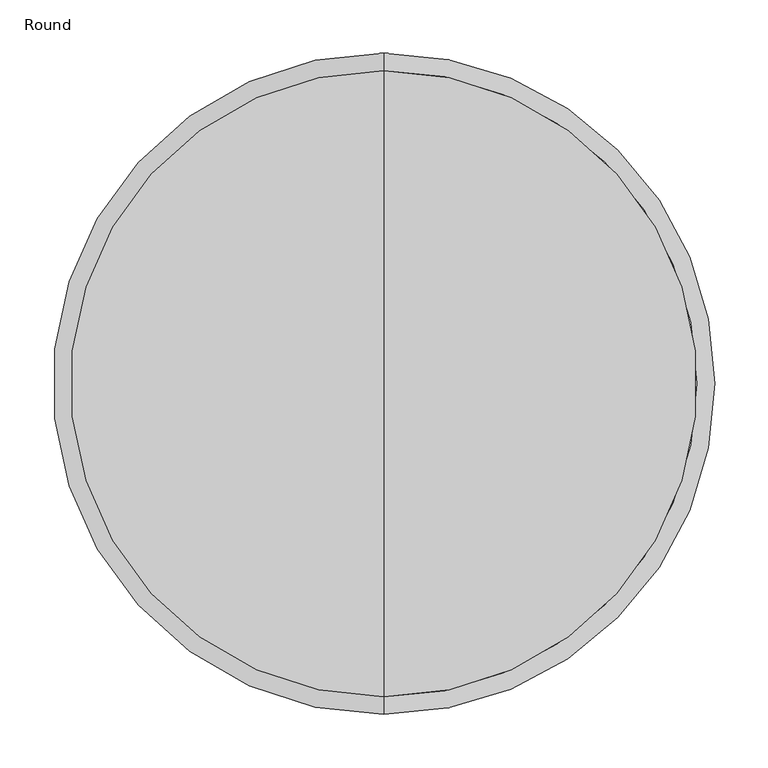
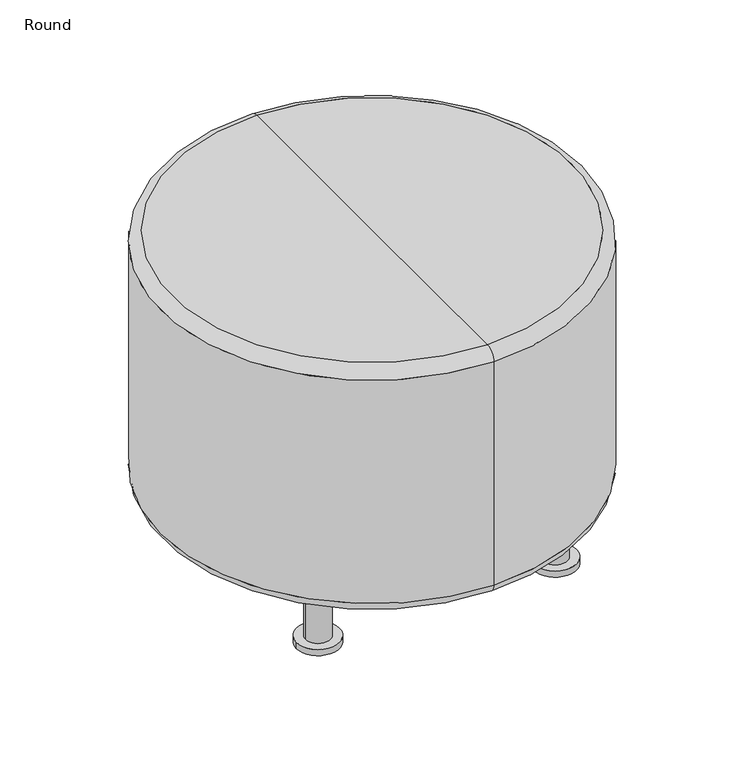
"""IFC4 building model written with IfcOpenShell, lengths in millimetres: furniture geometry, Round."""

from ifc_helpers import new_model, si_unit, point, frame, origin, place, context, project, spatial, circle_curve, ellipse_curve, trimmed, source, transform, mapped, element, save
from ifc_brep_helpers import plane_surface, cylinder_surface, revolved_surface, advanced_brep


def round_1c2979db(model_context):
    return source(origin(), model_context, "Body", "AdvancedBrep", [
        advanced_brep(
        [(-206.6882747, 164.9205792, 9.5131724), (-143.0562105, 164.9205792, 9.5131724), (-156.5777073, 164.9205792, 9.5131724), (-193.1667779, 164.9205792, 9.5131724), (-206.6882747, 164.9205792, 0.0), (-143.0562105, 164.9205792, 0.0), (-193.1667779, 164.9205792, 102.5906319), (-156.5777073, 164.9205792, 102.5906319)],
        [
            (0, 1, circle_curve(frame((-174.8722426, 164.9205792, 9.5131724), z_axis=(0.0, 0.0, 1.0), x_axis=(1.0, 0.0, 0.0)), 31.8160321)),
            (1, 0, circle_curve(frame((-174.8722426, 164.9205792, 9.5131724), z_axis=(0.0, 0.0, 1.0), x_axis=(1.0, 0.0, 0.0)), 31.8160321)),
            (2, 3, circle_curve(frame((-174.8722426, 164.9205792, 9.5131724), z_axis=(0.0, 0.0, -1.0), x_axis=(1.0, 0.0, 0.0)), 18.2945353)),
            (3, 2, circle_curve(frame((-174.8722426, 164.9205792, 9.5131724), z_axis=(0.0, 0.0, -1.0), x_axis=(1.0, 0.0, 0.0)), 18.2945353)),
            (4, 5, circle_curve(frame((-174.8722426, 164.9205792, 0.0), z_axis=(0.0, 0.0, -1.0), x_axis=(1.0, 0.0, 0.0)), 31.8160321)),
            (5, 4, circle_curve(frame((-174.8722426, 164.9205792, 0.0), z_axis=(0.0, 0.0, -1.0), x_axis=(1.0, 0.0, 0.0)), 31.8160321)),
            (0, 4),
            (5, 1),
            (6, 7, circle_curve(frame((-174.8722426, 164.9205792, 102.5906319), z_axis=(0.0, 0.0, 1.0), x_axis=(1.0, 0.0, 0.0)), 18.2945353)),
            (7, 6, circle_curve(frame((-174.8722426, 164.9205792, 102.5906319), z_axis=(0.0, 0.0, 1.0), x_axis=(1.0, 0.0, 0.0)), 18.2945353)),
            (6, 3),
            (2, 7),
        ],
        [
            plane_surface(frame((-143.0562105, 164.9205792, 9.5131724), z_axis=(0.0, 0.0, 1.0), x_axis=(0.0, 1.0, 0.0))),
            plane_surface(frame((-143.0562105, 164.9205792, 0.0), z_axis=(0.0, 0.0, -1.0), x_axis=(0.0, -1.0, 0.0))),
            cylinder_surface(frame((-174.8722426, 164.9205792, 0.0), z_axis=(0.0, 0.0, 1.0), x_axis=(1.0, 0.0, 0.0)), 31.8160321),
            plane_surface(frame((-156.5777073, 164.9205792, 102.5906319), z_axis=(0.0, 0.0, 1.0), x_axis=(0.0, 1.0, 0.0))),
            cylinder_surface(frame((-174.8722426, 164.9205792, 9.5131724), z_axis=(0.0, 0.0, 1.0), x_axis=(1.0, 0.0, 0.0)), 18.2945353),
        ],
        [
            (0, [[1, 2], [3, 4]]),
            (1, [[5, 6]]),
            (2, [[-1, 7, -6, 8]]),
            (2, [[-2, -8, -5, -7]]),
            (3, [[9, 10]]),
            (4, [[-9, 11, -3, 12]]),
            (4, [[-10, -12, -4, -11]]),
        ],
    ),
        advanced_brep(
        [(143.0562105, 164.9205792, 9.5131724), (206.6882747, 164.9205792, 9.5131724), (193.1667779, 164.9205792, 9.5131724), (156.5777073, 164.9205792, 9.5131724), (143.0562105, 164.9205792, 0.0), (206.6882747, 164.9205792, 0.0), (156.5777073, 164.9205792, 102.5906319), (193.1667779, 164.9205792, 102.5906319)],
        [
            (0, 1, circle_curve(frame((174.8722426, 164.9205792, 9.5131724), z_axis=(0.0, 0.0, 1.0), x_axis=(1.0, 0.0, 0.0)), 31.8160321)),
            (1, 0, circle_curve(frame((174.8722426, 164.9205792, 9.5131724), z_axis=(0.0, 0.0, 1.0), x_axis=(1.0, 0.0, 0.0)), 31.8160321)),
            (2, 3, circle_curve(frame((174.8722426, 164.9205792, 9.5131724), z_axis=(0.0, 0.0, -1.0), x_axis=(1.0, 0.0, 0.0)), 18.2945353)),
            (3, 2, circle_curve(frame((174.8722426, 164.9205792, 9.5131724), z_axis=(0.0, 0.0, -1.0), x_axis=(1.0, 0.0, 0.0)), 18.2945353)),
            (4, 5, circle_curve(frame((174.8722426, 164.9205792, 0.0), z_axis=(0.0, 0.0, -1.0), x_axis=(1.0, 0.0, 0.0)), 31.8160321)),
            (5, 4, circle_curve(frame((174.8722426, 164.9205792, 0.0), z_axis=(0.0, 0.0, -1.0), x_axis=(1.0, 0.0, 0.0)), 31.8160321)),
            (0, 4),
            (5, 1),
            (6, 7, circle_curve(frame((174.8722426, 164.9205792, 102.5906319), z_axis=(0.0, 0.0, 1.0), x_axis=(1.0, 0.0, 0.0)), 18.2945353)),
            (7, 6, circle_curve(frame((174.8722426, 164.9205792, 102.5906319), z_axis=(0.0, 0.0, 1.0), x_axis=(1.0, 0.0, 0.0)), 18.2945353)),
            (6, 3),
            (2, 7),
        ],
        [
            plane_surface(frame((-143.0562105, 164.9205792, 9.5131724), z_axis=(0.0, 0.0, 1.0), x_axis=(0.0, 1.0, 0.0))),
            plane_surface(frame((-143.0562105, 164.9205792, 0.0), z_axis=(0.0, 0.0, -1.0), x_axis=(0.0, -1.0, 0.0))),
            cylinder_surface(frame((174.8722426, 164.9205792, 0.0), z_axis=(0.0, 0.0, 1.0), x_axis=(1.0, 0.0, 0.0)), 31.8160321),
            plane_surface(frame((-156.5777073, 164.9205792, 102.5906319), z_axis=(0.0, 0.0, 1.0), x_axis=(0.0, 1.0, 0.0))),
            cylinder_surface(frame((174.8722426, 164.9205792, 0.0), z_axis=(0.0, 0.0, 1.0), x_axis=(1.0, 0.0, 0.0)), 18.2945353),
        ],
        [
            (0, [[1, 2], [3, 4]]),
            (1, [[5, 6]]),
            (2, [[-1, 7, -6, 8]]),
            (2, [[-2, -8, -5, -7]]),
            (3, [[9, 10]]),
            (4, [[-9, 11, -3, 12]]),
            (4, [[-10, -12, -4, -11]]),
        ],
    ),
        advanced_brep(
        [(-206.6882747, -164.9205792, 9.5131724), (-143.0562105, -164.9205792, 9.5131724), (-156.5777073, -164.9205792, 9.5131724), (-193.1667779, -164.9205792, 9.5131724), (-206.6882747, -164.9205792, 0.0), (-143.0562105, -164.9205792, 0.0), (-193.1667779, -164.9205792, 102.5906319), (-156.5777073, -164.9205792, 102.5906319)],
        [
            (0, 1, circle_curve(frame((-174.8722426, -164.9205792, 9.5131724), z_axis=(0.0, 0.0, 1.0), x_axis=(1.0, 0.0, 0.0)), 31.8160321)),
            (1, 0, circle_curve(frame((-174.8722426, -164.9205792, 9.5131724), z_axis=(0.0, 0.0, 1.0), x_axis=(1.0, 0.0, 0.0)), 31.8160321)),
            (2, 3, circle_curve(frame((-174.8722426, -164.9205792, 9.5131724), z_axis=(0.0, 0.0, -1.0), x_axis=(1.0, 0.0, 0.0)), 18.2945353)),
            (3, 2, circle_curve(frame((-174.8722426, -164.9205792, 9.5131724), z_axis=(0.0, 0.0, -1.0), x_axis=(1.0, 0.0, 0.0)), 18.2945353)),
            (4, 5, circle_curve(frame((-174.8722426, -164.9205792, 0.0), z_axis=(0.0, 0.0, -1.0), x_axis=(1.0, 0.0, 0.0)), 31.8160321)),
            (5, 4, circle_curve(frame((-174.8722426, -164.9205792, 0.0), z_axis=(0.0, 0.0, -1.0), x_axis=(1.0, 0.0, 0.0)), 31.8160321)),
            (0, 4),
            (5, 1),
            (6, 7, circle_curve(frame((-174.8722426, -164.9205792, 102.5906319), z_axis=(0.0, 0.0, 1.0), x_axis=(1.0, 0.0, 0.0)), 18.2945353)),
            (7, 6, circle_curve(frame((-174.8722426, -164.9205792, 102.5906319), z_axis=(0.0, 0.0, 1.0), x_axis=(1.0, 0.0, 0.0)), 18.2945353)),
            (6, 3),
            (2, 7),
        ],
        [
            plane_surface(frame((-143.0562105, 164.9205792, 9.5131724), z_axis=(0.0, 0.0, 1.0), x_axis=(0.0, 1.0, 0.0))),
            plane_surface(frame((-143.0562105, 164.9205792, 0.0), z_axis=(0.0, 0.0, -1.0), x_axis=(0.0, -1.0, 0.0))),
            cylinder_surface(frame((-174.8722426, -164.9205792, 0.0), z_axis=(0.0, 0.0, 1.0), x_axis=(1.0, 0.0, 0.0)), 31.8160321),
            plane_surface(frame((-156.5777073, 164.9205792, 102.5906319), z_axis=(0.0, 0.0, 1.0), x_axis=(0.0, 1.0, 0.0))),
            cylinder_surface(frame((-174.8722426, -164.9205792, 0.0), z_axis=(0.0, 0.0, 1.0), x_axis=(1.0, 0.0, 0.0)), 18.2945353),
        ],
        [
            (0, [[1, 2], [3, 4]]),
            (1, [[5, 6]]),
            (2, [[-1, 7, -6, 8]]),
            (2, [[-2, -8, -5, -7]]),
            (3, [[9, 10]]),
            (4, [[-9, 11, -3, 12]]),
            (4, [[-10, -12, -4, -11]]),
        ],
    ),
        advanced_brep(
        [(143.0562105, -164.9205792, 9.5131724), (206.6882747, -164.9205792, 9.5131724), (193.1667779, -164.9205792, 9.5131724), (156.5777073, -164.9205792, 9.5131724), (143.0562105, -164.9205792, 0.0), (206.6882747, -164.9205792, 0.0), (156.5777073, -164.9205792, 102.5906319), (193.1667779, -164.9205792, 102.5906319)],
        [
            (0, 1, circle_curve(frame((174.8722426, -164.9205792, 9.5131724), z_axis=(0.0, 0.0, 1.0), x_axis=(1.0, 0.0, 0.0)), 31.8160321)),
            (1, 0, circle_curve(frame((174.8722426, -164.9205792, 9.5131724), z_axis=(0.0, 0.0, 1.0), x_axis=(1.0, 0.0, 0.0)), 31.8160321)),
            (2, 3, circle_curve(frame((174.8722426, -164.9205792, 9.5131724), z_axis=(0.0, 0.0, -1.0), x_axis=(1.0, 0.0, 0.0)), 18.2945353)),
            (3, 2, circle_curve(frame((174.8722426, -164.9205792, 9.5131724), z_axis=(0.0, 0.0, -1.0), x_axis=(1.0, 0.0, 0.0)), 18.2945353)),
            (4, 5, circle_curve(frame((174.8722426, -164.9205792, 0.0), z_axis=(0.0, 0.0, -1.0), x_axis=(1.0, 0.0, 0.0)), 31.8160321)),
            (5, 4, circle_curve(frame((174.8722426, -164.9205792, 0.0), z_axis=(0.0, 0.0, -1.0), x_axis=(1.0, 0.0, 0.0)), 31.8160321)),
            (0, 4),
            (5, 1),
            (6, 7, circle_curve(frame((174.8722426, -164.9205792, 102.5906319), z_axis=(0.0, 0.0, 1.0), x_axis=(1.0, 0.0, 0.0)), 18.2945353)),
            (7, 6, circle_curve(frame((174.8722426, -164.9205792, 102.5906319), z_axis=(0.0, 0.0, 1.0), x_axis=(1.0, 0.0, 0.0)), 18.2945353)),
            (6, 3),
            (2, 7),
        ],
        [
            plane_surface(frame((-143.0562105, 164.9205792, 9.5131724), z_axis=(0.0, 0.0, 1.0), x_axis=(0.0, 1.0, 0.0))),
            plane_surface(frame((-143.0562105, 164.9205792, 0.0), z_axis=(0.0, 0.0, -1.0), x_axis=(0.0, -1.0, 0.0))),
            cylinder_surface(frame((174.8722426, -164.9205792, 0.0), z_axis=(0.0, 0.0, 1.0), x_axis=(1.0, 0.0, 0.0)), 31.8160321),
            plane_surface(frame((-156.5777073, 164.9205792, 102.5906319), z_axis=(0.0, 0.0, 1.0), x_axis=(0.0, 1.0, 0.0))),
            cylinder_surface(frame((174.8722426, -164.9205792, 0.0), z_axis=(0.0, 0.0, 1.0), x_axis=(1.0, 0.0, 0.0)), 18.2945353),
        ],
        [
            (0, [[1, 2], [3, 4]]),
            (1, [[5, 6]]),
            (2, [[-1, 7, -6, 8]]),
            (2, [[-2, -8, -5, -7]]),
            (3, [[9, 10]]),
            (4, [[-9, 11, -3, 12]]),
            (4, [[-10, -12, -4, -11]]),
        ],
    ),
        advanced_brep(
        [(0.0, 294.64, 480.2007763), (0.0, -294.64, 480.2007763), (0.0, 0.0, 480.2007763), (0.0, 311.15, 463.6907763), (0.0, -311.15, 463.6907763), (0.0, 311.15, 115.3341641), (0.0, -311.15, 115.3341641), (0.0, 294.64, 98.8241641), (0.0, -294.64, 98.8241641), (0.0, 0.0, 98.8241641)],
        [
            (0, 1, circle_curve(frame((0.0, 0.0, 480.2007763), z_axis=(0.0, 0.0, 1.0), x_axis=(0.0, -1.0, 0.0)), 294.64)),
            (1, 2),
            (2, 0),
            (1, 0, circle_curve(frame((0.0, 0.0, 480.2007763), z_axis=(0.0, 0.0, 1.0), x_axis=(0.0, -1.0, 0.0)), 294.64)),
            (3, 4, circle_curve(frame((0.0, 0.0, 463.6907763), z_axis=(0.0, 0.0, 1.0), x_axis=(0.0, -1.0, 0.0)), 311.15)),
            (4, 1, circle_curve(frame((0.0, -294.64, 463.6907763), z_axis=(-1.0, 0.0, 0.0), x_axis=(0.0, 1.0, 0.0)), 16.51)),
            (0, 3, circle_curve(frame((0.0, 294.64, 463.6907763), z_axis=(-1.0, 0.0, 0.0), x_axis=(0.0, -1.0, 0.0)), 16.51)),
            (4, 3, circle_curve(frame((0.0, 0.0, 463.6907763), z_axis=(0.0, 0.0, 1.0), x_axis=(0.0, -1.0, 0.0)), 311.15)),
            (5, 6, circle_curve(frame((0.0, 0.0, 115.3341641), z_axis=(0.0, 0.0, 1.0), x_axis=(0.0, -1.0, 0.0)), 311.15)),
            (6, 4),
            (3, 5),
            (6, 5, circle_curve(frame((0.0, 0.0, 115.3341641), z_axis=(0.0, 0.0, 1.0), x_axis=(0.0, -1.0, 0.0)), 311.15)),
            (7, 8, circle_curve(frame((0.0, 0.0, 98.8241641), z_axis=(0.0, 0.0, 1.0), x_axis=(0.0, -1.0, 0.0)), 294.64)),
            (8, 6, circle_curve(frame((0.0, -294.64, 115.3341641), z_axis=(-1.0, 0.0, 0.0), x_axis=(0.0, 1.0, 0.0)), 16.51)),
            (5, 7, circle_curve(frame((0.0, 294.64, 115.3341641), z_axis=(-1.0, 0.0, 0.0), x_axis=(0.0, -1.0, 0.0)), 16.51)),
            (8, 7, circle_curve(frame((0.0, 0.0, 98.8241641), z_axis=(0.0, 0.0, 1.0), x_axis=(0.0, -1.0, 0.0)), 294.64)),
            (9, 8),
            (7, 9),
        ],
        [
            plane_surface(frame((0.0, 0.0, 480.2007763), z_axis=(0.0, 0.0, 1.0), x_axis=(0.0, -1.0, 0.0))),
            revolved_surface(trimmed(ellipse_curve(frame((0.0, -294.64, 463.6907763), z_axis=(1.0, 0.0, 0.0), x_axis=(0.0, 1.0, 0.0)), 16.51, 16.51), [point((0.0, -294.64, 480.2007763))], [point((0.0, -311.15, 463.6907763))], True, "CARTESIAN"), (0.0, 0.0, 315.1007763), (0.0, 0.0, -1.0)),
            cylinder_surface(frame((0.0, 0.0, 315.1007763), z_axis=(0.0, 0.0, -1.0), x_axis=(0.0, -1.0, 0.0)), 311.15),
            revolved_surface(trimmed(ellipse_curve(frame((0.0, -294.64, 115.3341641), z_axis=(1.0, 0.0, 0.0), x_axis=(0.0, 1.0, 0.0)), 16.51, 16.51), [point((0.0, -311.15, 115.3341641))], [point((0.0, -294.64, 98.8241641))], True, "CARTESIAN"), (0.0, 0.0, 315.1007763), (0.0, 0.0, -1.0)),
            plane_surface(frame((0.0, 0.0, 98.8241641), z_axis=(0.0, 0.0, -1.0), x_axis=(0.0, -1.0, 0.0))),
        ],
        [
            (0, [[1, 2, 3]]),
            (0, [[4, -3, -2]]),
            (1, [[5, 6, -1, 7]]),
            (1, [[8, -7, -4, -6]]),
            (2, [[9, 10, -5, 11]]),
            (2, [[12, -11, -8, -10]]),
            (3, [[13, 14, -9, 15]]),
            (3, [[16, -15, -12, -14]]),
            (4, [[17, -13, 18]]),
            (4, [[-18, -16, -17]]),
        ],
    ),
    ])


if __name__ == "__main__":
    model = new_model("IFC4")
    model_context = context("Model", 3, world=origin())
    ifc_project = project(units=[si_unit("LENGTHUNIT", "METRE", prefix="MILLI")], contexts=[model_context])
    site = spatial("IfcSite", under=ifc_project)
    building = spatial("IfcBuilding", under=site)
    placement = place(None, origin())
    ifc_round_shape = round_1c2979db(model_context)
    element("IfcFurniture", 1, ObjectType="Round", at=placement, inside=building, context=model_context, shape_type="MappedRepresentation", body=[
        mapped(ifc_round_shape, transform((0.0, 0.0, 0.0), x_axis=(1.0, 0.0, 0.0), y_axis=(0.0, 1.0, 0.0), z_axis=(0.0, 0.0, 1.0))),
    ])
    save(model, "model.ifc")
